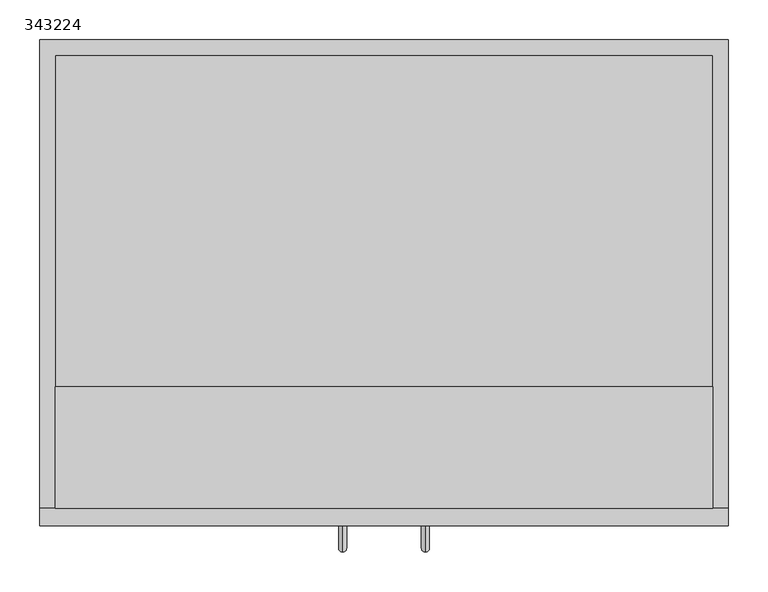
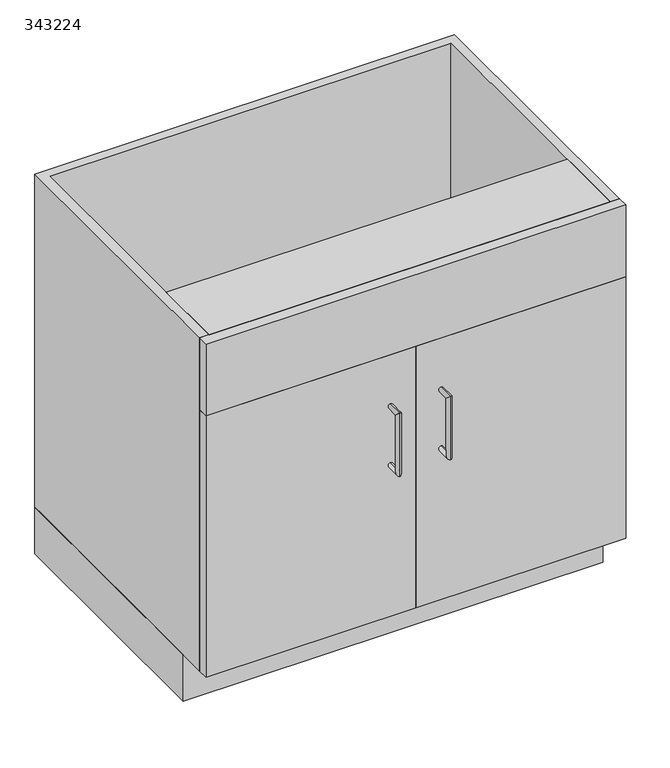
"""IFC4 building model written with IfcOpenShell, lengths in millimetres: furniture geometry, 343224."""

from ifc_helpers import new_model, si_unit, frame, origin, origin_with_axes, place, context, project, spatial, polyline, circle_curve, ellipse_curve, outline, extrude, source, transform, mapped, element, save
from ifc_brep_helpers import plane_surface, cylinder_surface, advanced_brep


def furniture_343224_76c4b865(model_context):
    return source(origin(), model_context, "Body", "SolidModel", [
        extrude(outline(polyline([(-413.0622951, 0.0), (450.5377049, 0.0), (450.5377049, -528.6), (-413.0622951, -528.6), (-413.0622951, 0.0)]), holes=[polyline([(-393.8622951, -509.4), (431.3377049, -509.4), (431.3377049, -19.2), (-393.8622951, -19.2), (-393.8622951, -509.4)])]), origin_with_axes(), (0.0, 0.0, 1.0), 101.6),
        extrude(outline(polyline([(431.3377049, -435.2), (431.3377049, -587.6), (-393.8622951, -587.6), (-393.8622951, -435.2), (431.3377049, -435.2)])), frame((0.0, 0.0, 806.3), z_axis=(0.0, 0.0, 1.0), x_axis=(1.0, 0.0, 0.0)), (0.0, 0.0, 1.0), 19.2),
        extrude(outline(polyline([(431.3377049, -587.6), (-393.8622951, -587.6), (-393.8622951, -19.2), (431.3377049, -19.2), (431.3377049, -587.6)])), frame((0.0, 0.0, 101.6), z_axis=(0.0, 0.0, 1.0), x_axis=(1.0, 0.0, 0.0)), (0.0, 0.0, 1.0), 19.2),
        advanced_brep(
        [(70.7377049, -609.6, 552.925), (70.7377049, -609.6, 562.925), (70.7377049, -632.6, 552.925), (70.7377049, -642.6, 562.925), (70.7377049, -632.6, 434.925), (70.7377049, -642.6, 424.925), (70.7377049, -609.6, 434.925), (70.7377049, -609.6, 424.925)],
        [
            (0, 1, circle_curve(frame((70.7377049, -609.6, 557.925), z_axis=(0.0, 1.0, 0.0), x_axis=(0.0, 0.0, 1.0)), 5.0)),
            (1, 0, circle_curve(frame((70.7377049, -609.6, 557.925), z_axis=(0.0, 1.0, 0.0), x_axis=(0.0, 0.0, 1.0)), 5.0)),
            (0, 2),
            (2, 3, ellipse_curve(frame((70.7377049, -637.6, 557.925), z_axis=(0.0, 0.7071067811865475, 0.7071067811865475), x_axis=(0.0, 0.7071067811865476, -0.7071067811865474)), 7.0710678, 5.0)),
            (3, 1),
            (3, 2, ellipse_curve(frame((70.7377049, -637.6, 557.925), z_axis=(0.0, 0.7071067811865475, 0.7071067811865475), x_axis=(0.0, 0.7071067811865476, -0.7071067811865474)), 7.0710678, 5.0)),
            (2, 4),
            (4, 5, ellipse_curve(frame((70.7377049, -637.6, 429.925), z_axis=(0.0, -0.7071067811865475, 0.7071067811865475), x_axis=(0.0, 0.7071067811865474, 0.7071067811865476)), 7.0710678, 5.0)),
            (5, 3),
            (5, 4, ellipse_curve(frame((70.7377049, -637.6, 429.925), z_axis=(0.0, -0.7071067811865475, 0.7071067811865475), x_axis=(0.0, 0.7071067811865474, 0.7071067811865476)), 7.0710678, 5.0)),
            (6, 7, circle_curve(frame((70.7377049, -609.6, 429.925), z_axis=(0.0, 1.0, 0.0), x_axis=(0.0, 0.0, -1.0)), 5.0)),
            (7, 6, circle_curve(frame((70.7377049, -609.6, 429.925), z_axis=(0.0, 1.0, 0.0), x_axis=(0.0, 0.0, -1.0)), 5.0)),
            (4, 6),
            (7, 5),
        ],
        [
            plane_surface(frame((70.7377049, -609.6, 557.925), z_axis=(0.0, 1.0, 0.0), x_axis=(-1.0, 0.0, 0.0))),
            cylinder_surface(frame((70.7377049, -609.6, 557.925), z_axis=(0.0, 1.0, 0.0), x_axis=(0.0, 0.0, 1.0)), 5.0),
            cylinder_surface(frame((70.7377049, -637.6, 557.925), z_axis=(0.0, 0.0, 1.0), x_axis=(0.0, -1.0, 0.0)), 5.0),
            plane_surface(frame((70.7377049, -609.6, 429.925), z_axis=(0.0, 1.0, 0.0), x_axis=(-1.0, 0.0, 0.0))),
            cylinder_surface(frame((70.7377049, -637.6, 429.925), z_axis=(0.0, -1.0, 0.0), x_axis=(0.0, 0.0, -1.0)), 5.0),
        ],
        [
            (0, [[1, 2]]),
            (1, [[-1, 3, 4, 5]]),
            (1, [[-2, -5, 6, -3]]),
            (2, [[-4, 7, 8, 9]]),
            (2, [[-6, -9, 10, -7]]),
            (3, [[11, 12]]),
            (4, [[-8, 13, -12, 14]]),
            (4, [[-10, -14, -11, -13]]),
        ],
    ),
        advanced_brep(
        [(-33.2622951, -609.6, 562.925), (-33.2622951, -609.6, 552.925), (-33.2622951, -642.6, 562.925), (-33.2622951, -632.6, 552.925), (-33.2622951, -642.6, 424.925), (-33.2622951, -632.6, 434.925), (-33.2622951, -609.6, 424.925), (-33.2622951, -609.6, 434.925)],
        [
            (0, 1, circle_curve(frame((-33.2622951, -609.6, 557.925), z_axis=(0.0, 1.0, 0.0), x_axis=(0.0, 0.0, -1.0)), 5.0)),
            (1, 0, circle_curve(frame((-33.2622951, -609.6, 557.925), z_axis=(0.0, 1.0, 0.0), x_axis=(0.0, 0.0, -1.0)), 5.0)),
            (0, 2),
            (2, 3, ellipse_curve(frame((-33.2622951, -637.6, 557.925), z_axis=(0.0, 0.7071067811865475, 0.7071067811865475), x_axis=(0.0, 0.7071067811865476, -0.7071067811865474)), 7.0710678, 5.0)),
            (3, 1),
            (3, 2, ellipse_curve(frame((-33.2622951, -637.6, 557.925), z_axis=(0.0, 0.7071067811865475, 0.7071067811865475), x_axis=(0.0, 0.7071067811865476, -0.7071067811865474)), 7.0710678, 5.0)),
            (2, 4),
            (4, 5, ellipse_curve(frame((-33.2622951, -637.6, 429.925), z_axis=(0.0, -0.7071067811865475, 0.7071067811865475), x_axis=(0.0, 0.7071067811865474, 0.7071067811865476)), 7.0710678, 5.0)),
            (5, 3),
            (5, 4, ellipse_curve(frame((-33.2622951, -637.6, 429.925), z_axis=(0.0, -0.7071067811865475, 0.7071067811865475), x_axis=(0.0, 0.7071067811865474, 0.7071067811865476)), 7.0710678, 5.0)),
            (6, 7, circle_curve(frame((-33.2622951, -609.6, 429.925), z_axis=(0.0, 1.0, 0.0), x_axis=(0.0, 0.0, 1.0)), 5.0)),
            (7, 6, circle_curve(frame((-33.2622951, -609.6, 429.925), z_axis=(0.0, 1.0, 0.0), x_axis=(0.0, 0.0, 1.0)), 5.0)),
            (4, 6),
            (7, 5),
        ],
        [
            plane_surface(frame((-33.2622951, -609.6, 557.925), z_axis=(0.0, 1.0, 0.0), x_axis=(1.0, 0.0, 0.0))),
            cylinder_surface(frame((-33.2622951, -609.6, 557.925), z_axis=(0.0, 1.0, 0.0), x_axis=(0.0, 0.0, -1.0)), 5.0),
            cylinder_surface(frame((-33.2622951, -637.6, 557.925), z_axis=(0.0, 0.0, 1.0), x_axis=(0.0, 1.0, 0.0)), 5.0),
            plane_surface(frame((-33.2622951, -609.6, 429.925), z_axis=(0.0, 1.0, 0.0), x_axis=(1.0, 0.0, 0.0))),
            cylinder_surface(frame((-33.2622951, -637.6, 429.925), z_axis=(0.0, -1.0, 0.0), x_axis=(0.0, 0.0, 1.0)), 5.0),
        ],
        [
            (0, [[1, 2]]),
            (1, [[-1, 3, 4, 5]]),
            (1, [[-2, -5, 6, -3]]),
            (2, [[-4, 7, 8, 9]]),
            (2, [[-6, -9, 10, -7]]),
            (3, [[11, 12]]),
            (4, [[-8, 13, -12, 14]]),
            (4, [[-10, -14, -11, -13]]),
        ],
    ),
        extrude(outline(polyline([(450.5377049, -587.6), (450.5377049, -609.6), (-413.0622951, -609.6), (-413.0622951, -587.6), (450.5377049, -587.6)])), frame((0.0, 0.0, 669.925), z_axis=(0.0, 0.0, 1.0), x_axis=(1.0, 0.0, 0.0)), (0.0, 0.0, 1.0), 155.575),
        extrude(outline(polyline([(18.7377049, -587.6), (450.5377049, -587.6), (450.5377049, -609.6), (18.7377049, -609.6), (18.7377049, -587.6)])), frame((0.0, 0.0, 101.6), z_axis=(0.0, 0.0, 1.0), x_axis=(1.0, 0.0, 0.0)), (0.0, 0.0, 1.0), 568.325),
        extrude(outline(polyline([(-413.0622951, -587.6), (18.7377049, -587.6), (18.7377049, -609.6), (-413.0622951, -609.6), (-413.0622951, -587.6)])), frame((0.0, 0.0, 101.6), z_axis=(0.0, 0.0, 1.0), x_axis=(1.0, 0.0, 0.0)), (0.0, 0.0, 1.0), 568.325),
        extrude(outline(polyline([(450.5377049, -587.6), (431.3377049, -587.6), (431.3377049, -19.2), (-393.8622951, -19.2), (-393.8622951, -587.6), (-413.0622951, -587.6), (-413.0622951, 0.0), (450.5377049, 0.0), (450.5377049, -587.6)])), frame((0.0, 0.0, 101.6), z_axis=(0.0, 0.0, 1.0), x_axis=(1.0, 0.0, 0.0)), (0.0, 0.0, 1.0), 723.9),
    ])


if __name__ == "__main__":
    model = new_model("IFC4")
    model_context = context("Model", 3, world=origin())
    ifc_project = project(units=[si_unit("LENGTHUNIT", "METRE", prefix="MILLI")], contexts=[model_context])
    site = spatial("IfcSite", under=ifc_project)
    building = spatial("IfcBuilding", under=site)
    placement = place(None, origin())
    furniture_343224_shape = furniture_343224_76c4b865(model_context)
    element("IfcFurniture", 1, ObjectType="343224", at=placement, inside=building, context=model_context, shape_type="MappedRepresentation", body=[
        mapped(furniture_343224_shape, transform((0.0, 0.0, 0.0), x_axis=(1.0, 0.0, 0.0), y_axis=(0.0, 1.0, 0.0), z_axis=(0.0, 0.0, 1.0))),
    ])
    save(model, "model.ifc")
